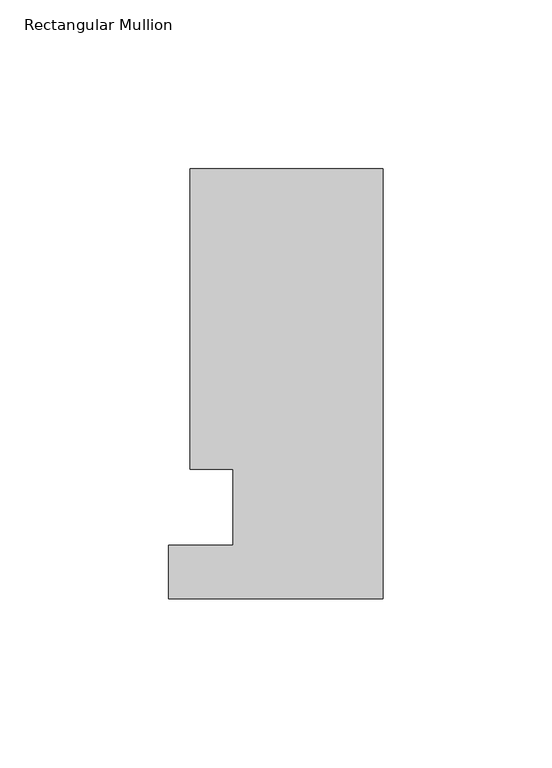
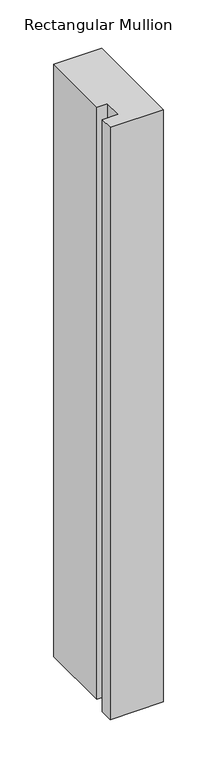
"""IFC4 building model written with IfcOpenShell, lengths in millimetres: member geometry, Rectangular Mullion."""

from ifc_helpers import new_model, si_unit, frame, origin, place, context, project, spatial, polyline, outline, extrude, source, transform, mapped, element, save


def rectangular_mullion_23672ebe(model_context):
    return source(origin(), model_context, "Body", "SweptSolid", [
        extrude(outline(polyline([(-57.15, 37.9870311), (-57.15, 126.9134813), (0.0, 126.9134813), (0.0, -0.3151187), (-63.5, -0.3151188), (-63.5, 15.5344812), (-44.45, 15.5344812), (-44.45, 37.9870311), (-57.15, 37.9870311)])), frame((0.0, 0.0, -746.2855689), z_axis=(0.0, 0.0, 1.0), x_axis=(1.0, 0.0, 0.0)), (0.0, 0.0, 1.0), 746.2855689),
    ])


if __name__ == "__main__":
    model = new_model("IFC4")
    model_context = context("Model", 3, world=origin())
    ifc_project = project(units=[si_unit("LENGTHUNIT", "METRE", prefix="MILLI")], contexts=[model_context])
    site = spatial("IfcSite", under=ifc_project)
    building = spatial("IfcBuilding", under=site)
    placement = place(None, origin())
    rectangular_mullion_shape = rectangular_mullion_23672ebe(model_context)
    element("IfcMember", 1, ObjectType="Rectangular Mullion", at=placement, inside=building, context=model_context, shape_type="MappedRepresentation", body=[
        mapped(rectangular_mullion_shape, transform((0.0, 0.0, 0.0), x_axis=(1.0, 0.0, 0.0), y_axis=(0.0, 1.0, 0.0), z_axis=(0.0, 0.0, 1.0))),
    ])
    save(model, "model.ifc")
